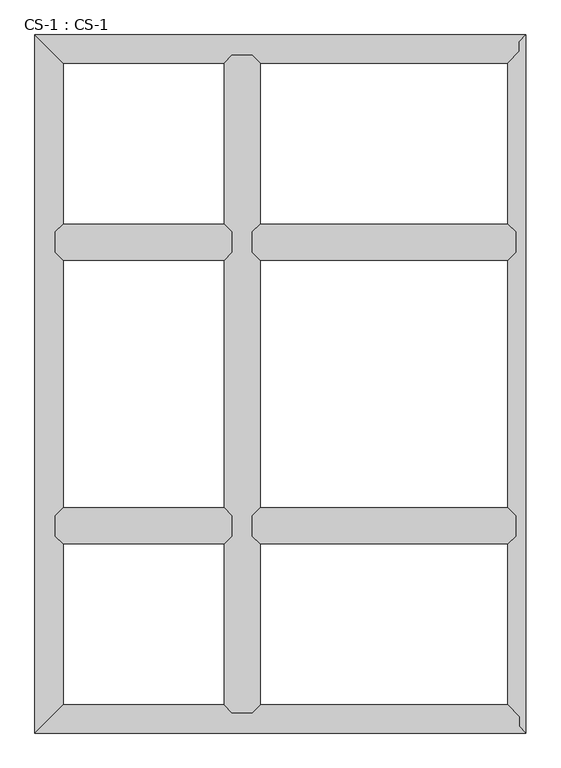
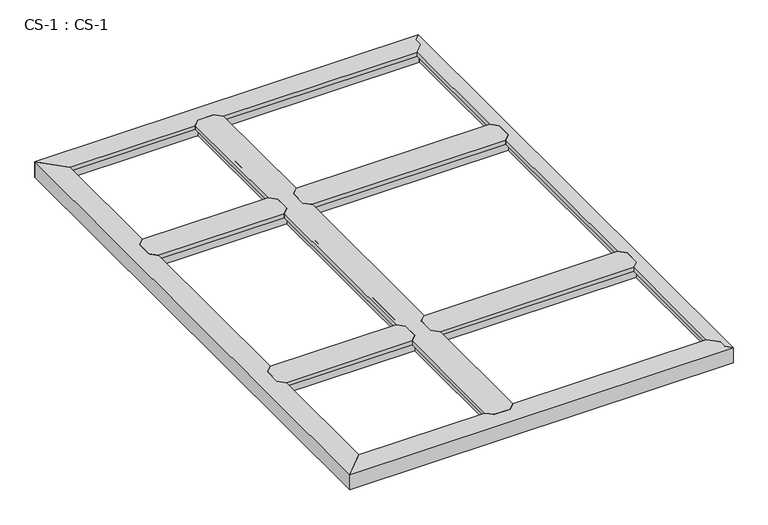
"""IFC4 building model written with IfcOpenShell, lengths in millimetres: proxy geometry, CS-1 : CS-1."""

from ifc_helpers import new_model, si_unit, origin, place, context, project, spatial, faceted_brep, source, transform, mapped, element, save


def cs_1_cs_1_35139711(model_context):
    return source(origin(), model_context, "Body", "Brep", [
        faceted_brep([(635.0, 1549.4, 46.355), (635.0, 1549.4, 0.0), (635.0, 1556.385, 0.0), (635.0, 1556.385, 63.5), (635.0, 1608.455, 63.5), (635.0, 1608.455, 0.0), (635.0, 1615.44, 0.0), (635.0, 1615.44, 46.355), (635.0, 1615.44, 66.675), (635.0, 1549.4, 66.675), (66.04, 1615.44, 46.355), (66.04, 1615.44, 0.0), (66.04, 1608.455, 0.0), (66.04, 1608.455, 63.5), (66.04, 1556.385, 63.5), (66.04, 1556.385, 0.0), (66.04, 1549.4, 0.0), (66.04, 1549.4, 46.355), (66.04, 1549.4, 66.675), (66.04, 1615.44, 66.675), (90.678, 1640.078, 66.675), (610.362, 1640.078, 66.675), (610.362, 1640.078, 49.8094), (90.678, 1640.078, 49.8094), (611.886, 1638.554, 49.8094), (89.154, 1638.554, 49.8094), (611.886, 1638.554, 64.643), (89.154, 1638.554, 64.643), (622.173, 1628.267, 64.643), (78.867, 1628.267, 64.643), (622.173, 1628.267, 46.355), (78.867, 1628.267, 46.355), (622.173, 1536.573, 46.355), (78.867, 1536.573, 46.355), (622.173, 1536.573, 64.643), (78.867, 1536.573, 64.643), (611.886, 1526.286, 64.643), (89.154, 1526.286, 64.643), (611.886, 1526.286, 49.8094), (89.154, 1526.286, 49.8094), (610.362, 1524.762, 49.8094), (90.678, 1524.762, 49.8094), (610.362, 1524.762, 66.675), (90.678, 1524.762, 66.675)], [[[0, 1, 2, 3, 4, 5, 6, 7, 8, 9]], [[10, 11, 12, 13, 14, 15, 16, 17, 18, 19]], [[20, 21, 22, 23]], [[23, 22, 24, 25]], [[25, 24, 26, 27]], [[27, 26, 28, 29]], [[29, 28, 30, 31]], [[7, 10, 31, 30]], [[7, 6, 11, 10]], [[6, 5, 12, 11]], [[5, 4, 13, 12]], [[4, 3, 14, 13]], [[3, 2, 15, 14]], [[2, 1, 16, 15]], [[1, 0, 17, 16]], [[17, 0, 32, 33]], [[33, 32, 34, 35]], [[35, 34, 36, 37]], [[37, 36, 38, 39]], [[39, 38, 40, 41]], [[41, 40, 42, 43]], [[9, 8, 21, 20, 19, 18, 43, 42]], [[10, 19, 20, 23, 25, 27, 29, 31]], [[18, 17, 33, 35, 37, 39, 41, 43]], [[0, 9, 42, 40, 38, 36, 34, 32]], [[8, 7, 30, 28, 26, 24, 22, 21]]]),
        faceted_brep([(635.0, 635.0, 46.355), (635.0, 635.0, 0.0), (635.0, 641.985, 0.0), (635.0, 641.985, 63.5), (635.0, 694.055, 63.5), (635.0, 694.055, 0.0), (635.0, 701.04, 0.0), (635.0, 701.04, 46.355), (635.0, 701.04, 66.675), (635.0, 635.0, 66.675), (66.04, 701.04, 46.355), (66.04, 701.04, 0.0), (66.04, 694.055, 0.0), (66.04, 694.055, 63.5), (66.04, 641.985, 63.5), (66.04, 641.985, 0.0), (66.04, 635.0, 0.0), (66.04, 635.0, 46.355), (66.04, 635.0, 66.675), (66.04, 701.04, 66.675), (90.678, 725.678, 66.675), (610.362, 725.678, 66.675), (610.362, 725.678, 49.8094), (90.678, 725.678, 49.8094), (611.886, 724.154, 49.8094), (89.154, 724.154, 49.8094), (611.886, 724.154, 64.643), (89.154, 724.154, 64.643), (622.173, 713.867, 64.643), (78.867, 713.867, 64.643), (622.173, 713.867, 46.355), (78.867, 713.867, 46.355), (622.173, 622.173, 46.355), (78.867, 622.173, 46.355), (622.173, 622.173, 64.643), (78.867, 622.173, 64.643), (611.886, 611.886, 64.643), (89.154, 611.886, 64.643), (611.886, 611.886, 49.8094), (89.154, 611.886, 49.8094), (610.362, 610.362, 49.8094), (90.678, 610.362, 49.8094), (610.362, 610.362, 66.675), (90.678, 610.362, 66.675)], [[[0, 1, 2, 3, 4, 5, 6, 7, 8, 9]], [[10, 11, 12, 13, 14, 15, 16, 17, 18, 19]], [[20, 21, 22, 23]], [[23, 22, 24, 25]], [[25, 24, 26, 27]], [[27, 26, 28, 29]], [[29, 28, 30, 31]], [[7, 10, 31, 30]], [[7, 6, 11, 10]], [[6, 5, 12, 11]], [[5, 4, 13, 12]], [[4, 3, 14, 13]], [[3, 2, 15, 14]], [[2, 1, 16, 15]], [[1, 0, 17, 16]], [[17, 0, 32, 33]], [[33, 32, 34, 35]], [[35, 34, 36, 37]], [[37, 36, 38, 39]], [[39, 38, 40, 41]], [[41, 40, 42, 43]], [[9, 8, 21, 20, 19, 18, 43, 42]], [[10, 19, 20, 23, 25, 27, 29, 31]], [[18, 17, 33, 35, 37, 39, 41, 43]], [[0, 9, 42, 40, 38, 36, 34, 32]], [[8, 7, 30, 28, 26, 24, 22, 21]]]),
        faceted_brep([(1549.4, 635.0, 46.355), (1549.4, 635.0, 0.0), (1549.4, 641.985, 0.0), (1549.4, 641.985, 63.5), (1549.4, 694.055, 63.5), (1549.4, 694.055, 0.0), (1549.4, 701.04, 0.0), (1549.4, 701.04, 46.355), (1549.4, 701.04, 66.675), (1549.4, 635.0, 66.675), (701.04, 701.04, 46.355), (701.04, 701.04, 0.0), (701.04, 694.055, 0.0), (701.04, 694.055, 63.5), (701.04, 641.985, 63.5), (701.04, 641.985, 0.0), (701.04, 635.0, 0.0), (701.04, 635.0, 46.355), (701.04, 635.0, 66.675), (701.04, 701.04, 66.675), (725.678, 725.678, 66.675), (1524.762, 725.678, 66.675), (1524.762, 725.678, 49.8094), (725.678, 725.678, 49.8094), (1526.286, 724.154, 49.8094), (724.154, 724.154, 49.8094), (1526.286, 724.154, 64.643), (724.154, 724.154, 64.643), (1536.573, 713.867, 64.643), (713.867, 713.867, 64.643), (1536.573, 713.867, 46.355), (713.867, 713.867, 46.355), (1536.573, 622.173, 46.355), (713.867, 622.173, 46.355), (1536.573, 622.173, 64.643), (713.867, 622.173, 64.643), (1526.286, 611.886, 64.643), (724.154, 611.886, 64.643), (1526.286, 611.886, 49.8094), (724.154, 611.886, 49.8094), (1524.762, 610.362, 49.8094), (725.678, 610.362, 49.8094), (1524.762, 610.362, 66.675), (725.678, 610.362, 66.675)], [[[0, 1, 2, 3, 4, 5, 6, 7, 8, 9]], [[10, 11, 12, 13, 14, 15, 16, 17, 18, 19]], [[20, 21, 22, 23]], [[23, 22, 24, 25]], [[25, 24, 26, 27]], [[27, 26, 28, 29]], [[29, 28, 30, 31]], [[7, 10, 31, 30]], [[7, 6, 11, 10]], [[6, 5, 12, 11]], [[5, 4, 13, 12]], [[4, 3, 14, 13]], [[3, 2, 15, 14]], [[2, 1, 16, 15]], [[1, 0, 17, 16]], [[17, 0, 32, 33]], [[33, 32, 34, 35]], [[35, 34, 36, 37]], [[37, 36, 38, 39]], [[39, 38, 40, 41]], [[41, 40, 42, 43]], [[9, 8, 21, 20, 19, 18, 43, 42]], [[10, 19, 20, 23, 25, 27, 29, 31]], [[18, 17, 33, 35, 37, 39, 41, 43]], [[0, 9, 42, 40, 38, 36, 34, 32]], [[8, 7, 30, 28, 26, 24, 22, 21]]]),
        faceted_brep([(1549.4, 1549.4, 46.355), (1549.4, 1549.4, 0.0), (1549.4, 1556.385, 0.0), (1549.4, 1556.385, 63.5), (1549.4, 1608.455, 63.5), (1549.4, 1608.455, 0.0), (1549.4, 1615.44, 0.0), (1549.4, 1615.44, 46.355), (1549.4, 1615.44, 66.675), (1549.4, 1549.4, 66.675), (701.04, 1615.44, 46.355), (701.04, 1615.44, 0.0), (701.04, 1608.455, 0.0), (701.04, 1608.455, 63.5), (701.04, 1556.385, 63.5), (701.04, 1556.385, 0.0), (701.04, 1549.4, 0.0), (701.04, 1549.4, 46.355), (701.04, 1549.4, 66.675), (701.04, 1615.44, 66.675), (725.678, 1640.078, 66.675), (1524.762, 1640.078, 66.675), (1524.762, 1640.078, 49.8094), (725.678, 1640.078, 49.8094), (1526.286, 1638.554, 49.8094), (724.154, 1638.554, 49.8094), (1526.286, 1638.554, 64.643), (724.154, 1638.554, 64.643), (1536.573, 1628.267, 64.643), (713.867, 1628.267, 64.643), (1536.573, 1628.267, 46.355), (713.867, 1628.267, 46.355), (1536.573, 1536.573, 46.355), (713.867, 1536.573, 46.355), (1536.573, 1536.573, 64.643), (713.867, 1536.573, 64.643), (1526.286, 1526.286, 64.643), (724.154, 1526.286, 64.643), (1526.286, 1526.286, 49.8094), (724.154, 1526.286, 49.8094), (1524.762, 1524.762, 49.8094), (725.678, 1524.762, 49.8094), (1524.762, 1524.762, 66.675), (725.678, 1524.762, 66.675)], [[[0, 1, 2, 3, 4, 5, 6, 7, 8, 9]], [[10, 11, 12, 13, 14, 15, 16, 17, 18, 19]], [[20, 21, 22, 23]], [[23, 22, 24, 25]], [[25, 24, 26, 27]], [[27, 26, 28, 29]], [[29, 28, 30, 31]], [[7, 10, 31, 30]], [[7, 6, 11, 10]], [[6, 5, 12, 11]], [[5, 4, 13, 12]], [[4, 3, 14, 13]], [[3, 2, 15, 14]], [[2, 1, 16, 15]], [[1, 0, 17, 16]], [[17, 0, 32, 33]], [[33, 32, 34, 35]], [[35, 34, 36, 37]], [[37, 36, 38, 39]], [[39, 38, 40, 41]], [[41, 40, 42, 43]], [[9, 8, 21, 20, 19, 18, 43, 42]], [[10, 19, 20, 23, 25, 27, 29, 31]], [[18, 17, 33, 35, 37, 39, 41, 43]], [[0, 9, 42, 40, 38, 36, 34, 32]], [[8, 7, 30, 28, 26, 24, 22, 21]]]),
        faceted_brep([(701.04, 2184.4, 46.355), (701.04, 2184.4, 0.0), (694.055, 2184.4, 0.0), (694.055, 2184.4, 63.5), (641.985, 2184.4, 63.5), (641.985, 2184.4, 0.0), (635.0, 2184.4, 0.0), (635.0, 2184.4, 46.355), (635.0, 2184.4, 66.675), (701.04, 2184.4, 66.675), (635.0, 66.04, 46.355), (635.0, 66.04, 0.0), (641.985, 66.04, 0.0), (641.985, 66.04, 63.5), (694.055, 66.04, 63.5), (694.055, 66.04, 0.0), (701.04, 66.04, 0.0), (701.04, 66.04, 46.355), (701.04, 66.04, 66.675), (635.0, 66.04, 66.675), (610.362, 90.678, 49.8094), (610.362, 90.678, 66.675), (610.362, 610.362, 66.675), (610.362, 610.362, 49.8094), (610.362, 2159.762, 66.675), (610.362, 2159.762, 49.8094), (610.362, 1640.078, 49.8094), (610.362, 1640.078, 66.675), (610.362, 725.678, 49.8094), (610.362, 725.678, 66.675), (610.362, 1524.762, 66.675), (610.362, 1524.762, 49.8094), (611.886, 89.154, 49.8094), (611.886, 611.886, 49.8094), (611.886, 2161.286, 49.8094), (611.886, 1638.554, 49.8094), (611.886, 724.154, 49.8094), (611.886, 1526.286, 49.8094), (611.886, 89.154, 64.643), (611.886, 611.886, 64.643), (611.886, 2161.286, 64.643), (611.886, 1638.554, 64.643), (611.886, 724.154, 64.643), (611.886, 1526.286, 64.643), (622.173, 78.867, 64.643), (622.173, 622.173, 64.643), (622.173, 2171.573, 64.643), (622.173, 1628.267, 64.643), (622.173, 713.867, 64.643), (622.173, 1536.573, 64.643), (622.173, 78.867, 46.355), (622.173, 622.173, 46.355), (622.173, 2171.573, 46.355), (622.173, 1628.267, 46.355), (622.173, 713.867, 46.355), (622.173, 1536.573, 46.355), (635.0, 635.0, 46.355), (635.0, 1615.44, 46.355), (635.0, 701.04, 46.355), (635.0, 1549.4, 46.355), (635.0, 635.0, 66.675), (635.0, 701.04, 66.675), (635.0, 1549.4, 66.675), (635.0, 1615.44, 66.675), (701.04, 1615.44, 46.355), (701.04, 1615.44, 66.675), (701.04, 1549.4, 66.675), (701.04, 1549.4, 46.355), (701.04, 701.04, 46.355), (701.04, 701.04, 66.675), (701.04, 635.0, 66.675), (701.04, 635.0, 46.355), (713.867, 78.867, 46.355), (713.867, 622.173, 46.355), (713.867, 2171.573, 46.355), (713.867, 1628.267, 46.355), (713.867, 713.867, 46.355), (713.867, 1536.573, 46.355), (713.867, 78.867, 64.643), (713.867, 622.173, 64.643), (713.867, 2171.573, 64.643), (713.867, 1628.267, 64.643), (713.867, 713.867, 64.643), (713.867, 1536.573, 64.643), (724.154, 89.154, 64.643), (724.154, 611.886, 64.643), (724.154, 2161.286, 64.643), (724.154, 1638.554, 64.643), (724.154, 724.154, 64.643), (724.154, 1526.286, 64.643), (724.154, 89.154, 49.8094), (724.154, 611.886, 49.8094), (724.154, 2161.286, 49.8094), (724.154, 1638.554, 49.8094), (724.154, 724.154, 49.8094), (724.154, 1526.286, 49.8094), (725.678, 90.678, 49.8094), (725.678, 610.362, 49.8094), (725.678, 2159.762, 49.8094), (725.678, 1640.078, 49.8094), (725.678, 725.678, 49.8094), (725.678, 1524.762, 49.8094), (725.678, 90.678, 66.675), (725.678, 610.362, 66.675), (725.678, 2159.762, 66.675), (725.678, 1640.078, 66.675), (725.678, 725.678, 66.675), (725.678, 1524.762, 66.675)], [[[0, 1, 2, 3, 4, 5, 6, 7, 8, 9]], [[10, 11, 12, 13, 14, 15, 16, 17, 18, 19]], [[20, 21, 22, 23]], [[24, 25, 26, 27]], [[28, 29, 30, 31]], [[32, 20, 23, 33]], [[25, 34, 35, 26]], [[36, 28, 31, 37]], [[38, 32, 33, 39]], [[34, 40, 41, 35]], [[42, 36, 37, 43]], [[44, 38, 39, 45]], [[40, 46, 47, 41]], [[48, 42, 43, 49]], [[50, 44, 45, 51]], [[46, 52, 53, 47]], [[54, 48, 49, 55]], [[10, 50, 51, 56]], [[52, 7, 57, 53]], [[58, 54, 55, 59]], [[7, 6, 11, 10, 56, 60, 61, 58, 59, 62, 63, 57]], [[6, 5, 12, 11]], [[5, 4, 13, 12]], [[4, 3, 14, 13]], [[3, 2, 15, 14]], [[2, 1, 16, 15]], [[1, 0, 64, 65, 66, 67, 68, 69, 70, 71, 17, 16]], [[72, 17, 71, 73]], [[0, 74, 75, 64]], [[76, 68, 67, 77]], [[78, 72, 73, 79]], [[74, 80, 81, 75]], [[82, 76, 77, 83]], [[84, 78, 79, 85]], [[80, 86, 87, 81]], [[88, 82, 83, 89]], [[90, 84, 85, 91]], [[86, 92, 93, 87]], [[94, 88, 89, 95]], [[96, 90, 91, 97]], [[92, 98, 99, 93]], [[100, 94, 95, 101]], [[102, 96, 97, 103]], [[98, 104, 105, 99]], [[106, 100, 101, 107]], [[9, 8, 24, 27, 63, 62, 30, 29, 61, 60, 22, 21, 19, 18, 102, 103, 70, 69, 106, 107, 66, 65, 105, 104]], [[10, 19, 21, 20, 32, 38, 44, 50]], [[18, 17, 72, 78, 84, 90, 96, 102]], [[0, 9, 104, 98, 92, 86, 80, 74]], [[8, 7, 52, 46, 40, 34, 25, 24]], [[60, 56, 51, 45, 39, 33, 23, 22]], [[58, 61, 29, 28, 36, 42, 48, 54]], [[62, 59, 55, 49, 43, 37, 31, 30]], [[57, 63, 27, 26, 35, 41, 47, 53]], [[69, 68, 76, 82, 88, 94, 100, 106]], [[71, 70, 103, 97, 91, 85, 79, 73]], [[65, 64, 75, 81, 87, 93, 99, 105]], [[67, 66, 107, 101, 95, 89, 83, 77]]]),
        faceted_brep([(1582.42, 0.0, 0.0), (0.0, 0.0, 0.0), (6.985, 6.985, 0.0), (1575.435, 6.985, 0.0), (1575.435, 6.985, 63.5), (6.985, 6.985, 63.5), (1560.83, 21.59, 63.5), (59.055, 59.055, 63.5), (1555.3093878, 59.055, 63.5), (1560.83, 53.34, 63.5), (1555.3093878, 59.055, 0.0), (59.055, 59.055, 0.0), (66.04, 66.04, 0.0), (1548.5619728, 66.04, 0.0), (1548.5619728, 66.04, 46.355), (66.04, 66.04, 46.355), (635.0, 66.04, 46.355), (635.0, 66.04, 66.675), (701.04, 66.04, 66.675), (701.04, 66.04, 46.355), (1536.1712653, 78.867, 46.355), (713.867, 78.867, 46.355), (78.867, 78.867, 46.355), (622.173, 78.867, 46.355), (1536.1712653, 78.867, 63.5), (713.867, 78.867, 63.5), (78.867, 78.867, 63.5), (622.173, 78.867, 63.5), (1526.2341633, 89.154, 63.5), (724.154, 89.154, 63.5), (89.154, 89.154, 63.5), (611.886, 89.154, 63.5), (1526.2341633, 89.154, 49.8094), (724.154, 89.154, 49.8094), (89.154, 89.154, 49.8094), (611.886, 89.154, 49.8094), (1524.762, 90.678, 49.8094), (725.678, 90.678, 49.8094), (90.678, 90.678, 49.8094), (610.362, 90.678, 49.8094), (1524.762, 90.678, 66.675), (725.678, 90.678, 66.675), (90.678, 90.678, 66.675), (610.362, 90.678, 66.675), (0.0, 0.0, 66.675), (1582.42, 0.0, 66.675), (1560.83, 21.59, 66.675), (1560.83, 53.34, 66.675)], [[[0, 1, 2, 3]], [[4, 3, 2, 5]], [[6, 4, 5, 7, 8, 9]], [[10, 8, 7, 11]], [[12, 13, 10, 11]], [[14, 13, 12, 15, 16, 17, 18, 19]], [[20, 14, 19, 21]], [[15, 22, 23, 16]], [[24, 20, 21, 25]], [[22, 26, 27, 23]], [[28, 24, 25, 29]], [[26, 30, 31, 27]], [[32, 28, 29, 33]], [[30, 34, 35, 31]], [[36, 32, 33, 37]], [[34, 38, 39, 35]], [[40, 36, 37, 41]], [[38, 42, 43, 39]], [[44, 45, 46, 47, 40, 41, 18, 17, 43, 42]], [[1, 0, 45, 44]], [[6, 46, 45, 0, 3, 4]], [[47, 9, 8, 10, 13, 14, 20, 24, 28, 32, 36, 40]], [[46, 6, 9, 47]], [[2, 1, 44, 42, 38, 34, 30, 26, 22, 15, 12, 11, 7, 5]], [[17, 16, 23, 27, 31, 35, 39, 43]], [[19, 18, 41, 37, 33, 29, 25, 21]]]),
        faceted_brep([(1582.42, 0.0, 66.675), (1582.42, 2250.44, 66.675), (1560.83, 2228.85, 66.675), (1560.83, 2197.1, 66.675), (1524.762, 2159.762, 66.675), (1524.762, 1640.078, 66.675), (1549.4, 1615.44, 66.675), (1549.4, 1549.4, 66.675), (1524.762, 1524.762, 66.675), (1524.762, 725.678, 66.675), (1549.4, 701.04, 66.675), (1549.4, 635.0, 66.675), (1524.762, 610.362, 66.675), (1524.762, 90.678, 66.675), (1560.83, 53.34, 66.675), (1560.83, 21.59, 66.675), (1582.42, 0.0, 63.5), (1582.42, 2250.44, 63.5), (1560.83, 21.59, 63.5), (1560.83, 53.34, 63.5), (1556.385, 57.9415141, 63.5), (1556.385, 2192.4984859, 63.5), (1560.83, 2197.1, 63.5), (1560.83, 2228.85, 63.5), (1556.385, 2192.4984859, 0.0), (1556.385, 57.9415141, 0.0), (1549.4, 65.1724648, 0.0), (1549.4, 2185.2675352, 0.0), (1549.4, 2185.2675352, 46.355), (1549.4, 65.1724648, 46.355), (1549.4, 635.0, 46.355), (1549.4, 701.04, 46.355), (1549.4, 1549.4, 46.355), (1549.4, 1615.44, 46.355), (1536.573, 2171.9888803, 46.355), (1536.573, 1628.267, 46.355), (1536.573, 78.4511197, 46.355), (1536.573, 622.173, 46.355), (1536.573, 1536.573, 46.355), (1536.573, 713.867, 46.355), (1536.573, 2171.9888803, 64.643), (1536.573, 1628.267, 64.643), (1536.573, 78.4511197, 64.643), (1536.573, 622.173, 64.643), (1536.573, 1536.573, 64.643), (1536.573, 713.867, 64.643), (1526.286, 2161.339662, 64.643), (1526.286, 1638.554, 64.643), (1526.286, 89.100338, 64.643), (1526.286, 611.886, 64.643), (1526.286, 1526.286, 64.643), (1526.286, 724.154, 64.643), (1526.286, 2161.339662, 49.8094), (1526.286, 1638.554, 49.8094), (1526.286, 89.100338, 49.8094), (1526.286, 611.886, 49.8094), (1526.286, 1526.286, 49.8094), (1526.286, 724.154, 49.8094), (1524.762, 2159.762, 49.8094), (1524.762, 1640.078, 49.8094), (1524.762, 90.678, 49.8094), (1524.762, 610.362, 49.8094), (1524.762, 1524.762, 49.8094), (1524.762, 725.678, 49.8094)], [[[0, 1, 2, 3, 4, 5, 6, 7, 8, 9, 10, 11, 12, 13, 14, 15]], [[1, 0, 16, 17]], [[17, 16, 18, 19, 20, 21, 22, 23]], [[24, 21, 20, 25]], [[26, 27, 24, 25]], [[28, 27, 26, 29, 30, 11, 10, 31, 32, 7, 6, 33]], [[34, 28, 33, 35]], [[29, 36, 37, 30]], [[38, 32, 31, 39]], [[40, 34, 35, 41]], [[36, 42, 43, 37]], [[44, 38, 39, 45]], [[46, 40, 41, 47]], [[42, 48, 49, 43]], [[50, 44, 45, 51]], [[52, 46, 47, 53]], [[48, 54, 55, 49]], [[56, 50, 51, 57]], [[58, 52, 53, 59]], [[54, 60, 61, 55]], [[62, 56, 57, 63]], [[4, 58, 59, 5]], [[60, 13, 12, 61]], [[8, 62, 63, 9]], [[23, 2, 1, 17]], [[3, 22, 21, 24, 27, 28, 34, 40, 46, 52, 58, 4]], [[2, 23, 22, 3]], [[18, 15, 14, 19]], [[19, 14, 13, 60, 54, 48, 42, 36, 29, 26, 25, 20]], [[15, 18, 16, 0]], [[7, 32, 38, 44, 50, 56, 62, 8]], [[33, 6, 5, 59, 53, 47, 41, 35]], [[11, 30, 37, 43, 49, 55, 61, 12]], [[31, 10, 9, 63, 57, 51, 45, 39]]]),
        faceted_brep([(0.0, 2250.44, 0.0), (1582.42, 2250.44, 0.0), (1575.435, 2243.455, 0.0), (6.985, 2243.455, 0.0), (6.985, 2243.455, 63.5), (1575.435, 2243.455, 63.5), (59.055, 2191.385, 63.5), (1560.83, 2228.85, 63.5), (1560.83, 2197.1, 63.5), (1555.3093878, 2191.385, 63.5), (59.055, 2191.385, 0.0), (1555.3093878, 2191.385, 0.0), (1548.5619728, 2184.4, 0.0), (66.04, 2184.4, 0.0), (66.04, 2184.4, 46.355), (1548.5619728, 2184.4, 46.355), (701.04, 2184.4, 46.355), (701.04, 2184.4, 66.675), (635.0, 2184.4, 66.675), (635.0, 2184.4, 46.355), (78.867, 2171.573, 46.355), (622.173, 2171.573, 46.355), (1536.1712653, 2171.573, 46.355), (713.867, 2171.573, 46.355), (78.867, 2171.573, 63.5), (622.173, 2171.573, 63.5), (1536.1712653, 2171.573, 63.5), (713.867, 2171.573, 63.5), (89.154, 2161.286, 63.5), (611.886, 2161.286, 63.5), (1526.2341633, 2161.286, 63.5), (724.154, 2161.286, 63.5), (89.154, 2161.286, 49.8094), (611.886, 2161.286, 49.8094), (1526.2341633, 2161.286, 49.8094), (724.154, 2161.286, 49.8094), (90.678, 2159.762, 49.8094), (610.362, 2159.762, 49.8094), (1524.762, 2159.762, 49.8094), (725.678, 2159.762, 49.8094), (90.678, 2159.762, 66.675), (610.362, 2159.762, 66.675), (1524.762, 2159.762, 66.675), (725.678, 2159.762, 66.675), (1582.42, 2250.44, 66.675), (0.0, 2250.44, 66.675), (1560.83, 2197.1, 66.675), (1560.83, 2228.85, 66.675)], [[[0, 1, 2, 3]], [[4, 3, 2, 5]], [[6, 4, 5, 7, 8, 9]], [[10, 6, 9, 11]], [[12, 13, 10, 11]], [[14, 13, 12, 15, 16, 17, 18, 19]], [[20, 14, 19, 21]], [[15, 22, 23, 16]], [[24, 20, 21, 25]], [[22, 26, 27, 23]], [[28, 24, 25, 29]], [[26, 30, 31, 27]], [[32, 28, 29, 33]], [[30, 34, 35, 31]], [[36, 32, 33, 37]], [[34, 38, 39, 35]], [[40, 36, 37, 41]], [[38, 42, 43, 39]], [[44, 45, 40, 41, 18, 17, 43, 42, 46, 47]], [[1, 0, 45, 44]], [[0, 3, 4, 6, 10, 13, 14, 20, 24, 28, 32, 36, 40, 45]], [[7, 47, 46, 8]], [[8, 46, 42, 38, 34, 30, 26, 22, 15, 12, 11, 9]], [[47, 7, 5, 2, 1, 44]], [[17, 16, 23, 27, 31, 35, 39, 43]], [[19, 18, 41, 37, 33, 29, 25, 21]]]),
        faceted_brep([(0.0, 0.0, 0.0), (0.0, 2250.44, 0.0), (6.985, 2243.455, 0.0), (6.985, 6.985, 0.0), (6.985, 6.985, 63.5), (6.985, 2243.455, 63.5), (59.055, 59.055, 63.5), (59.055, 2191.385, 63.5), (59.055, 59.055, 0.0), (59.055, 2191.385, 0.0), (66.04, 2184.4, 0.0), (66.04, 66.04, 0.0), (66.04, 66.04, 46.355), (66.04, 2184.4, 46.355), (66.04, 1615.44, 46.355), (66.04, 1615.44, 66.675), (66.04, 1549.4, 66.675), (66.04, 1549.4, 46.355), (66.04, 701.04, 46.355), (66.04, 701.04, 66.675), (66.04, 635.0, 66.675), (66.04, 635.0, 46.355), (78.867, 78.867, 46.355), (78.867, 622.173, 46.355), (78.867, 2171.573, 46.355), (78.867, 1628.267, 46.355), (78.867, 713.867, 46.355), (78.867, 1536.573, 46.355), (78.867, 78.867, 63.5), (78.867, 622.173, 63.5), (78.867, 2171.573, 63.5), (78.867, 1628.267, 63.5), (78.867, 713.867, 63.5), (78.867, 1536.573, 63.5), (89.154, 89.154, 63.5), (89.154, 611.886, 63.5), (89.154, 2161.286, 63.5), (89.154, 1638.554, 63.5), (89.154, 724.154, 63.5), (89.154, 1526.286, 63.5), (89.154, 89.154, 49.8094), (89.154, 611.886, 49.8094), (89.154, 2161.286, 49.8094), (89.154, 1638.554, 49.8094), (89.154, 724.154, 49.8094), (89.154, 1526.286, 49.8094), (90.678, 90.678, 49.8094), (90.678, 610.362, 49.8094), (90.678, 2159.762, 49.8094), (90.678, 1640.078, 49.8094), (90.678, 725.678, 49.8094), (90.678, 1524.762, 49.8094), (90.678, 90.678, 66.675), (90.678, 610.362, 66.675), (90.678, 2159.762, 66.675), (90.678, 1640.078, 66.675), (90.678, 725.678, 66.675), (90.678, 1524.762, 66.675), (0.0, 2250.44, 66.675), (0.0, 0.0, 66.675)], [[[0, 1, 2, 3]], [[4, 3, 2, 5]], [[6, 4, 5, 7]], [[8, 6, 7, 9]], [[10, 11, 8, 9]], [[12, 11, 10, 13, 14, 15, 16, 17, 18, 19, 20, 21]], [[22, 12, 21, 23]], [[13, 24, 25, 14]], [[26, 18, 17, 27]], [[28, 22, 23, 29]], [[24, 30, 31, 25]], [[32, 26, 27, 33]], [[34, 28, 29, 35]], [[30, 36, 37, 31]], [[38, 32, 33, 39]], [[40, 34, 35, 41]], [[36, 42, 43, 37]], [[44, 38, 39, 45]], [[46, 40, 41, 47]], [[42, 48, 49, 43]], [[50, 44, 45, 51]], [[52, 46, 47, 53]], [[48, 54, 55, 49]], [[56, 50, 51, 57]], [[58, 59, 52, 53, 20, 19, 56, 57, 16, 15, 55, 54]], [[1, 0, 59, 58]], [[0, 3, 4, 6, 8, 11, 12, 22, 28, 34, 40, 46, 52, 59]], [[2, 1, 58, 54, 48, 42, 36, 30, 24, 13, 10, 9, 7, 5]], [[19, 18, 26, 32, 38, 44, 50, 56]], [[21, 20, 53, 47, 41, 35, 29, 23]], [[15, 14, 25, 31, 37, 43, 49, 55]], [[17, 16, 57, 51, 45, 39, 33, 27]]]),
    ])


if __name__ == "__main__":
    model = new_model("IFC4")
    model_context = context("Model", 3, world=origin())
    ifc_project = project(units=[si_unit("LENGTHUNIT", "METRE", prefix="MILLI")], contexts=[model_context])
    site = spatial("IfcSite", under=ifc_project)
    building = spatial("IfcBuilding", under=site)
    placement = place(None, origin())
    cs_1_cs_1_shape = cs_1_cs_1_35139711(model_context)
    element("IfcBuildingElementProxy", 1, Name="CS-1 : CS-1", ObjectType="CS-1 : CS-1", at=placement, inside=building, context=model_context, shape_type="MappedRepresentation", body=[
        mapped(cs_1_cs_1_shape, transform((0.0, 0.0, 0.0), x_axis=(1.0, 0.0, 0.0), y_axis=(0.0, 1.0, 0.0), z_axis=(0.0, 0.0, 1.0))),
    ])
    save(model, "model.ifc")
